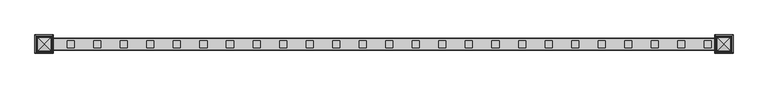
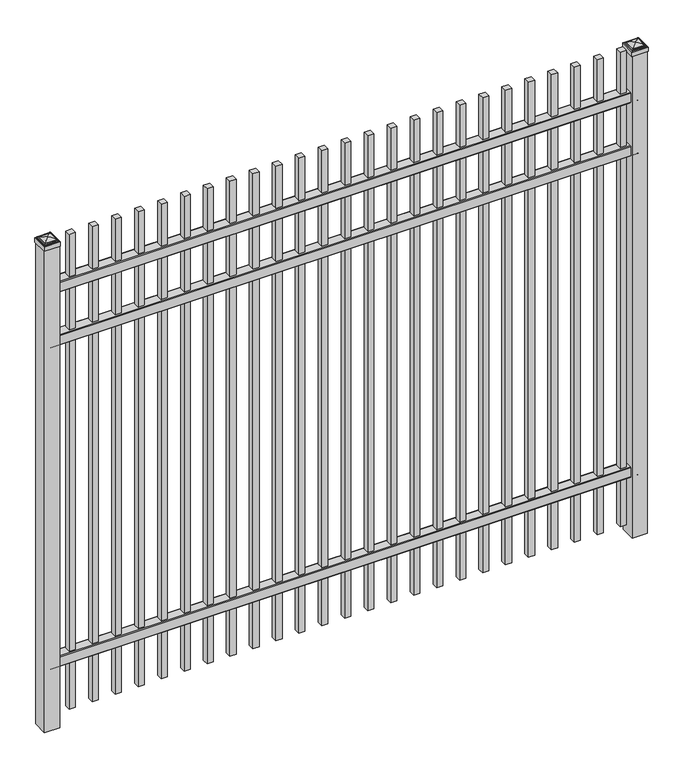
"""IFC4 building model written with IfcOpenShell, lengths in millimetres: railing geometry."""

import ifcopenshell
import ifcopenshell.guid

model = None  # the IFC model being written
_history = None  # IfcOwnerHistory: only IFC2X3 demands one
_inside = {}  # id of a spatial element -> (the spatial element, [elements in it])
_under = {}  # id of a project, library or spatial element -> (it, [spatial elements below it])
_declared = {}  # id of a project -> (the project, [libraries it declares])
_typed = {}  # id of a type object -> (the type object, [elements of that type])
_made_of = {}  # id of a material, layer set ... -> (it, [elements and type objects made of it])


def new_model(schema):
    """Start an empty IFC model of exactly this schema.

    Asked for "IFC4X3", IfcOpenShell would pick the latest addendum, in which some entities
    have other attributes; the version numbers below select the first issue.
    IFC2X3 requires an IfcOwnerHistory on every rooted entity: one is made here for all.
    """
    global model, _history
    if schema == "IFC4X3":
        model = ifcopenshell.file(schema_version=(4, 3, 0, 0))
    else:
        model = ifcopenshell.file(schema=schema)
    _inside.clear()
    _under.clear()
    _declared.clear()
    _typed.clear()
    _made_of.clear()
    _history = None
    if model.schema == "IFC2X3":
        org = make("IfcOrganization", Name="unknown")
        user = make(
            "IfcPersonAndOrganization",
            ThePerson=make("IfcPerson", FamilyName="unknown"),
            TheOrganization=org,
        )
        app = make(
            "IfcApplication",
            ApplicationDeveloper=org,
            Version="unknown",
            ApplicationFullName="unknown",
            ApplicationIdentifier="unknown",
        )
        _history = make(
            "IfcOwnerHistory",
            OwningUser=user,
            OwningApplication=app,
            ChangeAction="ADDED",
            CreationDate=0,
        )
    return model


def make(cls, **values):
    """One entity of the class cls with the attributes given. An attribute that is None is left unset."""
    return model.create_entity(
        cls, **{name: value for name, value in values.items() if value is not None}
    )


def rooted(cls, **values):
    """An entity with a GlobalId (a new one), such as an element, a storey or a relation."""
    return make(cls, GlobalId=ifcopenshell.guid.new(), OwnerHistory=_history, **values)


def si_unit(unit_type, name, prefix=None):
    """IfcSIUnit, for example si_unit("LENGTHUNIT", "METRE", prefix="MILLI")."""
    return make("IfcSIUnit", UnitType=unit_type, Prefix=prefix, Name=name)


def assignment(units):
    """IfcUnitAssignment: the units of a project."""
    return None if units is None else make("IfcUnitAssignment", Units=units)


def point(xyz):
    """IfcCartesianPoint."""
    return None if xyz is None else make("IfcCartesianPoint", Coordinates=xyz)


def direction(xyz):
    """IfcDirection."""
    return None if xyz is None else make("IfcDirection", DirectionRatios=xyz)


def frame(location, z_axis=None, x_axis=None):
    """IfcAxis2Placement3D, a coordinate frame: its origin and axes. An axis left out is left unset."""
    return make(
        "IfcAxis2Placement3D",
        Location=point(location),
        Axis=direction(z_axis),
        RefDirection=direction(x_axis),
    )


def frame_2d(location, x_axis=None):
    """IfcAxis2Placement2D, a coordinate frame in the plane: its origin and x axis."""
    return make(
        "IfcAxis2Placement2D", Location=point(location), RefDirection=direction(x_axis)
    )


def origin():
    """The frame at (0, 0, 0) with its axes left unset."""
    return frame((0.0, 0.0, 0.0))


def origin_with_axes():
    """The frame at (0, 0, 0) with the z axis (0, 0, 1) and the x axis (1, 0, 0) written out."""
    return frame((0.0, 0.0, 0.0), z_axis=(0.0, 0.0, 1.0), x_axis=(1.0, 0.0, 0.0))


def place(relative_to, where):
    """IfcLocalPlacement: puts the frame where relative to a parent placement (None: the world)."""
    return make(
        "IfcLocalPlacement", PlacementRelTo=relative_to, RelativePlacement=where
    )


def context(
    kind, dimensions, precision=None, world=None, true_north=None, identifier=None
):
    """IfcGeometricRepresentationContext, for example the 3D "Model" context."""
    return make(
        "IfcGeometricRepresentationContext",
        ContextIdentifier=identifier,
        ContextType=kind,
        CoordinateSpaceDimension=dimensions,
        Precision=precision,
        WorldCoordinateSystem=world,
        TrueNorth=true_north,
    )


def project(units=None, contexts=None):
    """IfcProject with its units and contexts."""
    return rooted(
        "IfcProject",
        Name="project",
        RepresentationContexts=contexts,
        UnitsInContext=assignment(units),
    )


def spatial(cls, under=None, at=None, **own):
    """A site, building, storey or space (cls), placed at a placement, below another one or the project."""
    s = rooted(cls, ObjectPlacement=at, **own)
    if under is not None:
        _under.setdefault(under.id(), (under, []))[1].append(s)
    return s


def polyline(points):
    """IfcPolyline through the points."""
    return make("IfcPolyline", Points=[point(p) for p in points])


def circle_curve(where, radius):
    """IfcCircle in the frame where."""
    return make("IfcCircle", Position=where, Radius=radius)


def ellipse_curve(where, semi_axis1, semi_axis2):
    """IfcEllipse in the frame where."""
    return make(
        "IfcEllipse", Position=where, SemiAxis1=semi_axis1, SemiAxis2=semi_axis2
    )


def trimmed(basis, trim1, trim2, sense, master):
    """IfcTrimmedCurve: the piece of a basis curve between two trims."""
    return make(
        "IfcTrimmedCurve",
        BasisCurve=basis,
        Trim1=trim1,
        Trim2=trim2,
        SenseAgreement=sense,
        MasterRepresentation=master,
    )


def segment(curve, same_sense, transition):
    """IfcCompositeCurveSegment."""
    return make(
        "IfcCompositeCurveSegment",
        Transition=transition,
        SameSense=same_sense,
        ParentCurve=curve,
    )


def composite_curve(segments, self_intersect=None):
    """IfcCompositeCurve: segments joined end to end."""
    return make("IfcCompositeCurve", Segments=segments, SelfIntersect=self_intersect)


def outline(outer, holes=None, kind="AREA"):
    """IfcArbitraryClosedProfileDef: a profile drawn as a closed curve; with holes, ...WithVoids."""
    if holes is None:
        return make("IfcArbitraryClosedProfileDef", ProfileType=kind, OuterCurve=outer)
    return make(
        "IfcArbitraryProfileDefWithVoids",
        ProfileType=kind,
        OuterCurve=outer,
        InnerCurves=holes,
    )


def extrude(swept, where, along, depth):
    """IfcExtrudedAreaSolid: the profile swept, set in the frame where, extruded along a direction by depth."""
    return make(
        "IfcExtrudedAreaSolid",
        SweptArea=swept,
        Position=where,
        ExtrudedDirection=direction(along),
        Depth=depth,
    )


def shape(context_of_items, identifier, shape_type, items):
    """IfcShapeRepresentation: the items that make up one representation, for example the "Body"."""
    return make(
        "IfcShapeRepresentation",
        ContextOfItems=context_of_items,
        RepresentationIdentifier=identifier,
        RepresentationType=shape_type,
        Items=items,
    )


def source(mapping_origin, context_of_items, identifier, shape_type, items):
    """IfcRepresentationMap: a shape defined once, which mapped items show again and again."""
    return make(
        "IfcRepresentationMap",
        MappingOrigin=mapping_origin,
        MappedRepresentation=shape(context_of_items, identifier, shape_type, items),
    )


def transform(
    local_origin,
    x_axis=None,
    y_axis=None,
    z_axis=None,
    scale=None,
    scale2=None,
    scale3=None,
    uniform=True,
):
    """IfcCartesianTransformationOperator3D, or its non-uniform kind. x_axis, y_axis, z_axis: its Axis1, 2, 3."""
    if uniform:
        return make(
            "IfcCartesianTransformationOperator3D",
            Axis1=direction(x_axis),
            Axis2=direction(y_axis),
            LocalOrigin=point(local_origin),
            Scale=scale,
            Axis3=direction(z_axis),
        )
    return make(
        "IfcCartesianTransformationOperator3DnonUniform",
        Axis1=direction(x_axis),
        Axis2=direction(y_axis),
        LocalOrigin=point(local_origin),
        Scale=scale,
        Axis3=direction(z_axis),
        Scale2=scale2,
        Scale3=scale3,
    )


def mapped(mapping_source, mapping_target):
    """IfcMappedItem: shows the shape of a source again, moved by a transform."""
    return make(
        "IfcMappedItem", MappingSource=mapping_source, MappingTarget=mapping_target
    )


def made_of(thing, what):
    """Note that an element or type object is made of a material, layer set ...; save() writes the relation."""
    if what is not None:
        _made_of.setdefault(what.id(), (what, []))[1].append(thing)
    return thing


def element(
    cls,
    number,
    at=None,
    inside=None,
    cuts=None,
    type_object=None,
    material=None,
    context=None,
    identifier="Body",
    shape_type=None,
    held_by="IfcProductDefinitionShape",
    body=None,
    shapes=None,
    **own,
):
    """One element of the class cls, such as IfcWall. Its Tag is "e" and its number.

    at: its placement. inside: the storey or other place that contains it. cuts: it is an
    opening in that element (IfcRelVoidsElement). A single representation is given by context,
    identifier, shape_type and body (its items); several are given by shapes. held_by: the class
    of the entity that holds the representations. save() writes the other relations.
    """
    e = rooted(cls, Tag="e%d" % number, ObjectPlacement=at, **own)
    if body is not None:
        shapes = [shape(context, identifier, shape_type, body)]
    if shapes is not None:
        e.Representation = make(held_by, Representations=shapes)
    if inside is not None:
        _inside.setdefault(inside.id(), (inside, []))[1].append(e)
    if cuts is not None:
        rooted(
            "IfcRelVoidsElement", RelatingBuildingElement=cuts, RelatedOpeningElement=e
        )
    if type_object is not None:
        _typed.setdefault(type_object.id(), (type_object, []))[1].append(e)
    return made_of(e, material)


def aggregate(whole, parts):
    """IfcRelAggregates: a whole, such as a stair, and the parts it consists of."""
    return rooted("IfcRelAggregates", RelatingObject=whole, RelatedObjects=parts)


def save(model, path):
    """Write the relations noted so far, then the file.

    IfcRelAggregates (storeys below a building ...), IfcRelContainedInSpatialStructure (elements
    in a storey), IfcRelDefinesByType, IfcRelAssociatesMaterial and IfcRelDeclares: one each for
    every whole, place, type object, material and project.
    """
    for whole, parts in _under.values():
        aggregate(whole, parts)
    for where, things in _inside.values():
        rooted(
            "IfcRelContainedInSpatialStructure",
            RelatedElements=things,
            RelatingStructure=where,
        )
    for kind, things in _typed.values():
        rooted("IfcRelDefinesByType", RelatedObjects=things, RelatingType=kind)
    for what, things in _made_of.values():
        rooted("IfcRelAssociatesMaterial", RelatedObjects=things, RelatingMaterial=what)
    for by, libraries in _declared.values():
        rooted("IfcRelDeclares", RelatingContext=by, RelatedDefinitions=libraries)
    model.write(path)


def plane_surface(at):
    """IfcPlane: the flat surface through the origin of the frame at, square to its z axis."""
    return make("IfcPlane", Position=at)


def cylinder_surface(at, radius):
    """IfcCylindricalSurface: all points at the distance radius from the z axis of the frame at."""
    return make("IfcCylindricalSurface", Position=at, Radius=radius)


def advanced_brep(points, edges, surfaces, faces):
    """IfcAdvancedBrep: a solid bounded by faces that lie on surfaces and meet in shared edges.

    An edge is (start, end): straight between two places in points (the first is 0);
    or (start, end, curve); or (start, end, curve, False) where it runs against its curve.
    A face is (place in surfaces, loops), or (place, loops, False) where it looks against
    its surface's normal. A loop lists edges by number (the first is 1), with a minus sign
    where the edge is run from its end to its start. The first loop is the outer one.
    """
    corners = [point(p) for p in points]
    vertices = [make("IfcVertexPoint", VertexGeometry=c) for c in corners]
    made = []
    for start, end, *more in edges:
        made.append(
            make(
                "IfcEdgeCurve",
                EdgeStart=vertices[start],
                EdgeEnd=vertices[end],
                EdgeGeometry=more[0] if more else make("IfcPolyline", Points=[corners[start], corners[end]]),
                SameSense=more[1] if len(more) > 1 else True,
            )
        )
    hull = []
    for where, loops, *sense in faces:
        bounds = []
        for j, loop in enumerate(loops):
            ring = [make("IfcOrientedEdge", EdgeElement=made[abs(k) - 1], Orientation=k > 0) for k in loop]
            bounds.append(
                make(
                    "IfcFaceOuterBound" if j == 0 else "IfcFaceBound",
                    Bound=make("IfcEdgeLoop", EdgeList=ring),
                    Orientation=True,
                )
            )
        hull.append(make("IfcAdvancedFace", Bounds=bounds, FaceSurface=surfaces[where], SameSense=sense[0] if sense else True))
    return make("IfcAdvancedBrep", Outer=make("IfcClosedShell", CfsFaces=hull))


def railing_5b05f8a3(model_context):
    return source(origin(), model_context, "Body", "SolidModel", [
        extrude(outline(composite_curve([segment(polyline([(8825.9139761, 304.8), (8863.969541, 304.8)]), True, "CONTINUOUS"), segment(trimmed(circle_curve(frame_2d((8863.969541, 301.625)), 3.175), [point((8863.969541, 304.8))], [point((8867.144541, 301.625))], False, "CARTESIAN"), True, "CONTINUOUS"), segment(polyline([(8867.144541, 301.625), (8867.144541, 262.1439893)]), True, "CONTINUOUS"), segment(trimmed(circle_curve(frame_2d((8865.3505518, 262.1439893)), 1.7939893), [point((8867.144541, 262.1439893))], [point((8865.3505518, 260.35))], False, "CARTESIAN"), True, "CONTINUOUS"), segment(polyline([(8865.3505518, 260.35), (8862.7590713, 260.35)]), True, "CONTINUOUS"), segment(trimmed(circle_curve(frame_2d((8862.7590713, 262.1359375)), 1.7859375), [point((8862.7590713, 260.35))], [point((8860.9755813, 262.0424688))], False, "CARTESIAN"), True, "CONTINUOUS"), segment(polyline([(8860.9755813, 262.0424688), (8859.4025867, 292.0569942), (8830.4364954, 292.0569942), (8828.8635007, 262.0424688)]), True, "CONTINUOUS"), segment(trimmed(circle_curve(frame_2d((8827.0800108, 262.1359375)), 1.7859375), [point((8828.8635007, 262.0424688))], [point((8827.0800108, 260.35))], False, "CARTESIAN"), True, "CONTINUOUS"), segment(polyline([(8827.0800108, 260.35), (8824.4804785, 260.35)]), True, "CONTINUOUS"), segment(trimmed(circle_curve(frame_2d((8824.4804785, 262.1359375)), 1.7859375), [point((8824.4804785, 260.35))], [point((8822.694541, 262.1359375))], False, "CARTESIAN"), True, "CONTINUOUS"), segment(polyline([(8822.694541, 262.1359375), (8822.694541, 301.5805649)]), True, "CONTINUOUS"), segment(trimmed(circle_curve(frame_2d((8825.9139761, 301.5805649)), 3.2194351), [point((8822.694541, 301.5805649))], [point((8825.9139761, 304.8))], False, "CARTESIAN"), True, "CONTINUOUS")], self_intersect=False)), frame((6913.3350064, 0.0, 0.0), z_axis=(1.0, 0.0, 0.0), x_axis=(0.0, 1.0, 0.0)), (0.0, 0.0, 1.0), 2438.4),
        extrude(outline(composite_curve([segment(polyline([(8825.9139761, 1714.5), (8863.969541, 1714.5)]), True, "CONTINUOUS"), segment(trimmed(circle_curve(frame_2d((8863.969541, 1711.325)), 3.175), [point((8863.969541, 1714.5))], [point((8867.144541, 1711.325))], False, "CARTESIAN"), True, "CONTINUOUS"), segment(polyline([(8867.144541, 1711.325), (8867.144541, 1671.8439893)]), True, "CONTINUOUS"), segment(trimmed(circle_curve(frame_2d((8865.3505518, 1671.8439893)), 1.7939893), [point((8867.144541, 1671.8439893))], [point((8865.3505518, 1670.05))], False, "CARTESIAN"), True, "CONTINUOUS"), segment(polyline([(8865.3505518, 1670.05), (8862.7590713, 1670.05)]), True, "CONTINUOUS"), segment(trimmed(circle_curve(frame_2d((8862.7590713, 1671.8359375)), 1.7859375), [point((8862.7590713, 1670.05))], [point((8860.9755813, 1671.7424688))], False, "CARTESIAN"), True, "CONTINUOUS"), segment(polyline([(8860.9755813, 1671.7424688), (8859.4025867, 1701.7569942), (8830.4364954, 1701.7569942), (8828.8635007, 1671.7424688)]), True, "CONTINUOUS"), segment(trimmed(circle_curve(frame_2d((8827.0800108, 1671.8359375)), 1.7859375), [point((8828.8635007, 1671.7424688))], [point((8827.0800108, 1670.05))], False, "CARTESIAN"), True, "CONTINUOUS"), segment(polyline([(8827.0800108, 1670.05), (8824.4804785, 1670.05)]), True, "CONTINUOUS"), segment(trimmed(circle_curve(frame_2d((8824.4804785, 1671.8359375)), 1.7859375), [point((8824.4804785, 1670.05))], [point((8822.694541, 1671.8359375))], False, "CARTESIAN"), True, "CONTINUOUS"), segment(polyline([(8822.694541, 1671.8359375), (8822.694541, 1711.2805649)]), True, "CONTINUOUS"), segment(trimmed(circle_curve(frame_2d((8825.9139761, 1711.2805649)), 3.2194351), [point((8822.694541, 1711.2805649))], [point((8825.9139761, 1714.5))], False, "CARTESIAN"), True, "CONTINUOUS")], self_intersect=False)), frame((6913.3350064, 0.0, 0.0), z_axis=(1.0, 0.0, 0.0), x_axis=(0.0, 1.0, 0.0)), (0.0, 0.0, 1.0), 2438.4),
        extrude(outline(composite_curve([segment(polyline([(8825.9139761, 1947.8625), (8863.969541, 1947.8625)]), True, "CONTINUOUS"), segment(trimmed(circle_curve(frame_2d((8863.969541, 1944.6875)), 3.175), [point((8863.969541, 1947.8625))], [point((8867.144541, 1944.6875))], False, "CARTESIAN"), True, "CONTINUOUS"), segment(polyline([(8867.144541, 1944.6875), (8867.144541, 1905.2064893)]), True, "CONTINUOUS"), segment(trimmed(circle_curve(frame_2d((8865.3505518, 1905.2064893)), 1.7939893), [point((8867.144541, 1905.2064893))], [point((8865.3505518, 1903.4125))], False, "CARTESIAN"), True, "CONTINUOUS"), segment(polyline([(8865.3505518, 1903.4125), (8862.7590713, 1903.4125)]), True, "CONTINUOUS"), segment(trimmed(circle_curve(frame_2d((8862.7590713, 1905.1984375)), 1.7859375), [point((8862.7590713, 1903.4125))], [point((8860.9755813, 1905.1049688))], False, "CARTESIAN"), True, "CONTINUOUS"), segment(polyline([(8860.9755813, 1905.1049688), (8859.4025867, 1935.1194942), (8830.4364954, 1935.1194942), (8828.8635007, 1905.1049688)]), True, "CONTINUOUS"), segment(trimmed(circle_curve(frame_2d((8827.0800108, 1905.1984375)), 1.7859375), [point((8828.8635007, 1905.1049688))], [point((8827.0800108, 1903.4125))], False, "CARTESIAN"), True, "CONTINUOUS"), segment(polyline([(8827.0800108, 1903.4125), (8824.4804785, 1903.4125)]), True, "CONTINUOUS"), segment(trimmed(circle_curve(frame_2d((8824.4804785, 1905.1984375)), 1.7859375), [point((8824.4804785, 1903.4125))], [point((8822.694541, 1905.1984375))], False, "CARTESIAN"), True, "CONTINUOUS"), segment(polyline([(8822.694541, 1905.1984375), (8822.694541, 1944.6430649)]), True, "CONTINUOUS"), segment(trimmed(circle_curve(frame_2d((8825.9139761, 1944.6430649)), 3.2194351), [point((8822.694541, 1944.6430649))], [point((8825.9139761, 1947.8625))], False, "CARTESIAN"), True, "CONTINUOUS")], self_intersect=False)), frame((6913.3350064, 0.0, 0.0), z_axis=(1.0, 0.0, 0.0), x_axis=(0.0, 1.0, 0.0)), (0.0, 0.0, 1.0), 2438.4),
        extrude(outline(polyline([(9281.8850064, 8857.619541), (9307.2850064, 8857.619541), (9307.2850064, 8832.219541), (9281.8850064, 8832.219541), (9281.8850064, 8857.619541)])), frame((0.0, 0.0, 50.8), z_axis=(0.0, 0.0, 1.0), x_axis=(1.0, 0.0, 0.0)), (0.0, 0.0, 1.0), 2082.8),
        extrude(outline(polyline([(9186.6350064, 8857.619541), (9212.0350064, 8857.619541), (9212.0350064, 8832.219541), (9186.6350064, 8832.219541), (9186.6350064, 8857.619541)])), frame((0.0, 0.0, 50.8), z_axis=(0.0, 0.0, 1.0), x_axis=(1.0, 0.0, 0.0)), (0.0, 0.0, 1.0), 2082.8),
        extrude(outline(polyline([(9091.3850064, 8857.619541), (9116.7850064, 8857.619541), (9116.7850064, 8832.219541), (9091.3850064, 8832.219541), (9091.3850064, 8857.619541)])), frame((0.0, 0.0, 50.8), z_axis=(0.0, 0.0, 1.0), x_axis=(1.0, 0.0, 0.0)), (0.0, 0.0, 1.0), 2082.8),
        extrude(outline(polyline([(8996.1350064, 8857.619541), (9021.5350064, 8857.619541), (9021.5350064, 8832.219541), (8996.1350064, 8832.219541), (8996.1350064, 8857.619541)])), frame((0.0, 0.0, 50.8), z_axis=(0.0, 0.0, 1.0), x_axis=(1.0, 0.0, 0.0)), (0.0, 0.0, 1.0), 2082.8),
        extrude(outline(polyline([(8900.8850064, 8857.619541), (8926.2850064, 8857.619541), (8926.2850064, 8832.219541), (8900.8850064, 8832.219541), (8900.8850064, 8857.619541)])), frame((0.0, 0.0, 50.8), z_axis=(0.0, 0.0, 1.0), x_axis=(1.0, 0.0, 0.0)), (0.0, 0.0, 1.0), 2082.8),
        extrude(outline(polyline([(8805.6350064, 8857.619541), (8831.0350064, 8857.619541), (8831.0350064, 8832.219541), (8805.6350064, 8832.219541), (8805.6350064, 8857.619541)])), frame((0.0, 0.0, 50.8), z_axis=(0.0, 0.0, 1.0), x_axis=(1.0, 0.0, 0.0)), (0.0, 0.0, 1.0), 2082.8),
        extrude(outline(polyline([(8710.3850064, 8857.619541), (8735.7850064, 8857.619541), (8735.7850064, 8832.219541), (8710.3850064, 8832.219541), (8710.3850064, 8857.619541)])), frame((0.0, 0.0, 50.8), z_axis=(0.0, 0.0, 1.0), x_axis=(1.0, 0.0, 0.0)), (0.0, 0.0, 1.0), 2082.8),
        extrude(outline(polyline([(8615.1350064, 8857.619541), (8640.5350064, 8857.619541), (8640.5350064, 8832.219541), (8615.1350064, 8832.219541), (8615.1350064, 8857.619541)])), frame((0.0, 0.0, 50.8), z_axis=(0.0, 0.0, 1.0), x_axis=(1.0, 0.0, 0.0)), (0.0, 0.0, 1.0), 2082.8),
        extrude(outline(polyline([(8519.8850064, 8857.619541), (8545.2850064, 8857.619541), (8545.2850064, 8832.219541), (8519.8850064, 8832.219541), (8519.8850064, 8857.619541)])), frame((0.0, 0.0, 50.8), z_axis=(0.0, 0.0, 1.0), x_axis=(1.0, 0.0, 0.0)), (0.0, 0.0, 1.0), 2082.8),
        extrude(outline(polyline([(8424.6350064, 8857.619541), (8450.0350064, 8857.619541), (8450.0350064, 8832.219541), (8424.6350064, 8832.219541), (8424.6350064, 8857.619541)])), frame((0.0, 0.0, 50.8), z_axis=(0.0, 0.0, 1.0), x_axis=(1.0, 0.0, 0.0)), (0.0, 0.0, 1.0), 2082.8),
        extrude(outline(polyline([(8329.3850064, 8857.619541), (8354.7850064, 8857.619541), (8354.7850064, 8832.219541), (8329.3850064, 8832.219541), (8329.3850064, 8857.619541)])), frame((0.0, 0.0, 50.8), z_axis=(0.0, 0.0, 1.0), x_axis=(1.0, 0.0, 0.0)), (0.0, 0.0, 1.0), 2082.8),
        extrude(outline(polyline([(8234.1350064, 8857.619541), (8259.5350064, 8857.619541), (8259.5350064, 8832.219541), (8234.1350064, 8832.219541), (8234.1350064, 8857.619541)])), frame((0.0, 0.0, 50.8), z_axis=(0.0, 0.0, 1.0), x_axis=(1.0, 0.0, 0.0)), (0.0, 0.0, 1.0), 2082.8),
        extrude(outline(polyline([(8138.8850064, 8857.619541), (8164.2850064, 8857.619541), (8164.2850064, 8832.219541), (8138.8850064, 8832.219541), (8138.8850064, 8857.619541)])), frame((0.0, 0.0, 50.8), z_axis=(0.0, 0.0, 1.0), x_axis=(1.0, 0.0, 0.0)), (0.0, 0.0, 1.0), 2082.8),
        extrude(outline(polyline([(8043.6350064, 8857.619541), (8069.0350064, 8857.619541), (8069.0350064, 8832.219541), (8043.6350064, 8832.219541), (8043.6350064, 8857.619541)])), frame((0.0, 0.0, 50.8), z_axis=(0.0, 0.0, 1.0), x_axis=(1.0, 0.0, 0.0)), (0.0, 0.0, 1.0), 2082.8),
        extrude(outline(polyline([(7948.3850064, 8857.619541), (7973.7850064, 8857.619541), (7973.7850064, 8832.219541), (7948.3850064, 8832.219541), (7948.3850064, 8857.619541)])), frame((0.0, 0.0, 50.8), z_axis=(0.0, 0.0, 1.0), x_axis=(1.0, 0.0, 0.0)), (0.0, 0.0, 1.0), 2082.8),
        extrude(outline(polyline([(7853.1350064, 8857.619541), (7878.5350064, 8857.619541), (7878.5350064, 8832.219541), (7853.1350064, 8832.219541), (7853.1350064, 8857.619541)])), frame((0.0, 0.0, 50.8), z_axis=(0.0, 0.0, 1.0), x_axis=(1.0, 0.0, 0.0)), (0.0, 0.0, 1.0), 2082.8),
        extrude(outline(polyline([(7757.8850064, 8857.619541), (7783.2850064, 8857.619541), (7783.2850064, 8832.219541), (7757.8850064, 8832.219541), (7757.8850064, 8857.619541)])), frame((0.0, 0.0, 50.8), z_axis=(0.0, 0.0, 1.0), x_axis=(1.0, 0.0, 0.0)), (0.0, 0.0, 1.0), 2082.8),
        extrude(outline(polyline([(7662.6350064, 8857.619541), (7688.0350064, 8857.619541), (7688.0350064, 8832.219541), (7662.6350064, 8832.219541), (7662.6350064, 8857.619541)])), frame((0.0, 0.0, 50.8), z_axis=(0.0, 0.0, 1.0), x_axis=(1.0, 0.0, 0.0)), (0.0, 0.0, 1.0), 2082.8),
        extrude(outline(polyline([(7567.3850064, 8857.619541), (7592.7850064, 8857.619541), (7592.7850064, 8832.219541), (7567.3850064, 8832.219541), (7567.3850064, 8857.619541)])), frame((0.0, 0.0, 50.8), z_axis=(0.0, 0.0, 1.0), x_axis=(1.0, 0.0, 0.0)), (0.0, 0.0, 1.0), 2082.8),
        extrude(outline(polyline([(7472.1350064, 8857.619541), (7497.5350064, 8857.619541), (7497.5350064, 8832.219541), (7472.1350064, 8832.219541), (7472.1350064, 8857.619541)])), frame((0.0, 0.0, 50.8), z_axis=(0.0, 0.0, 1.0), x_axis=(1.0, 0.0, 0.0)), (0.0, 0.0, 1.0), 2082.8),
        extrude(outline(polyline([(7376.8850064, 8857.619541), (7402.2850064, 8857.619541), (7402.2850064, 8832.219541), (7376.8850064, 8832.219541), (7376.8850064, 8857.619541)])), frame((0.0, 0.0, 50.8), z_axis=(0.0, 0.0, 1.0), x_axis=(1.0, 0.0, 0.0)), (0.0, 0.0, 1.0), 2082.8),
        extrude(outline(polyline([(7281.6350064, 8857.619541), (7307.0350064, 8857.619541), (7307.0350064, 8832.219541), (7281.6350064, 8832.219541), (7281.6350064, 8857.619541)])), frame((0.0, 0.0, 50.8), z_axis=(0.0, 0.0, 1.0), x_axis=(1.0, 0.0, 0.0)), (0.0, 0.0, 1.0), 2082.8),
        extrude(outline(polyline([(7186.3850064, 8857.619541), (7211.7850064, 8857.619541), (7211.7850064, 8832.219541), (7186.3850064, 8832.219541), (7186.3850064, 8857.619541)])), frame((0.0, 0.0, 50.8), z_axis=(0.0, 0.0, 1.0), x_axis=(1.0, 0.0, 0.0)), (0.0, 0.0, 1.0), 2082.8),
        extrude(outline(polyline([(7091.1350064, 8857.619541), (7116.5350064, 8857.619541), (7116.5350064, 8832.219541), (7091.1350064, 8832.219541), (7091.1350064, 8857.619541)])), frame((0.0, 0.0, 50.8), z_axis=(0.0, 0.0, 1.0), x_axis=(1.0, 0.0, 0.0)), (0.0, 0.0, 1.0), 2082.8),
        extrude(outline(polyline([(6995.8850064, 8857.619541), (7021.2850064, 8857.619541), (7021.2850064, 8832.219541), (6995.8850064, 8832.219541), (6995.8850064, 8857.619541)])), frame((0.0, 0.0, 50.8), z_axis=(0.0, 0.0, 1.0), x_axis=(1.0, 0.0, 0.0)), (0.0, 0.0, 1.0), 2082.8),
        extrude(outline(polyline([(9383.4850064, 8876.669541), (9383.4850064, 8813.169541), (9319.9850064, 8813.169541), (9319.9850064, 8876.669541), (9383.4850064, 8876.669541)])), origin_with_axes(), (0.0, 0.0, 1.0), 2112.9625),
        advanced_brep(
        [(9318.3975064, 8878.257041, 2131.21875), (9318.3975064, 8878.257041, 2112.9625), (9318.3975064, 8811.582041, 2112.9625), (9318.3975064, 8811.582041, 2131.21875), (9320.7787564, 8875.875791, 2133.6), (9320.7787564, 8813.963291, 2133.6), (9323.1600064, 8873.494541, 2135.98125), (9323.1600064, 8873.494541, 2133.6), (9323.1600064, 8816.344541, 2133.6), (9323.1600064, 8816.344541, 2135.98125), (9325.5412564, 8871.113291, 2138.3625), (9325.5412564, 8818.725791, 2138.3625), (9351.7350064, 8844.919541, 2144.7125), (9327.9225064, 8868.732041, 2138.3625), (9327.9225064, 8821.107041, 2138.3625), (9385.0725064, 8811.582041, 2112.9625), (9385.0725064, 8811.582041, 2131.21875), (9382.6912564, 8813.963291, 2133.6), (9380.3100064, 8816.344541, 2133.6), (9380.3100064, 8816.344541, 2135.98125), (9377.9287564, 8818.725791, 2138.3625), (9375.5475064, 8821.107041, 2138.3625), (9385.0725064, 8878.257041, 2112.9625), (9385.0725064, 8878.257041, 2131.21875), (9382.6912564, 8875.875791, 2133.6), (9380.3100064, 8873.494541, 2133.6), (9380.3100064, 8873.494541, 2135.98125), (9377.9287564, 8871.113291, 2138.3625), (9375.5475064, 8868.732041, 2138.3625)],
        [
            (0, 1),
            (1, 2),
            (2, 3),
            (3, 0),
            (4, 0, ellipse_curve(frame((9320.7787564, 8875.875791, 2131.21875), z_axis=(-0.70710678118655, -0.7071067811865449, 0.0), x_axis=(-0.7071067811865448, 0.7071067811865501, 0.0)), 3.367596, 2.38125)),
            (3, 5, ellipse_curve(frame((9320.7787564, 8813.963291, 2131.21875), z_axis=(-0.7071067811865449, 0.70710678118655, 0.0), x_axis=(0.7071067811865499, 0.707106781186545, 0.0)), 3.367596, 2.38125)),
            (5, 4),
            (6, 7),
            (7, 8),
            (8, 9),
            (9, 6),
            (10, 6, ellipse_curve(frame((9325.5412564, 8871.113291, 2135.98125), z_axis=(-0.70710678118655, -0.7071067811865449, 0.0), x_axis=(-0.7071067811865448, 0.7071067811865501, 0.0)), 3.367596, 2.38125)),
            (9, 11, ellipse_curve(frame((9325.5412564, 8818.725791, 2135.98125), z_axis=(-0.7071067811865449, 0.70710678118655, 0.0), x_axis=(0.7071067811865499, 0.707106781186545, 0.0)), 3.367596, 2.38125)),
            (11, 10),
            (12, 13, ellipse_curve(frame((9351.7350064, 8844.919541, 2096.8890625), z_axis=(-0.70710678118655, -0.7071067811865449, 0.0), x_axis=(-0.7071067811865448, 0.7071067811865501, 0.0)), 67.6325539, 47.8234375)),
            (13, 14),
            (14, 12, ellipse_curve(frame((9351.7350064, 8844.919541, 2096.8890625), z_axis=(-0.7071067811865449, 0.70710678118655, 0.0), x_axis=(0.7071067811865499, 0.707106781186545, 0.0)), 67.6325539, 47.8234375)),
            (2, 15),
            (15, 16),
            (16, 3),
            (16, 17, ellipse_curve(frame((9382.6912564, 8813.963291, 2131.21875), z_axis=(-0.70710678118655, -0.707106781186545, 0.0), x_axis=(-0.707106781186545, 0.70710678118655, 0.0)), 3.367596, 2.38125)),
            (17, 5),
            (8, 18),
            (18, 19),
            (19, 9),
            (19, 20, ellipse_curve(frame((9377.9287564, 8818.725791, 2135.98125), z_axis=(-0.70710678118655, -0.707106781186545, 0.0), x_axis=(-0.707106781186545, 0.70710678118655, 0.0)), 3.367596, 2.38125)),
            (20, 11),
            (14, 21),
            (21, 12, ellipse_curve(frame((9351.7350064, 8844.919541, 2096.8890625), z_axis=(-0.70710678118655, -0.707106781186545, 0.0), x_axis=(-0.707106781186545, 0.70710678118655, 0.0)), 67.6325539, 47.8234375)),
            (15, 22),
            (22, 23),
            (23, 16),
            (23, 24, ellipse_curve(frame((9382.6912564, 8875.875791, 2131.21875), z_axis=(0.707106781186545, -0.7071067811865499, 0.0), x_axis=(-0.7071067811865497, -0.7071067811865452, 0.0)), 3.367596, 2.38125)),
            (24, 17),
            (18, 25),
            (25, 26),
            (26, 19),
            (26, 27, ellipse_curve(frame((9377.9287564, 8871.113291, 2135.98125), z_axis=(0.707106781186545, -0.7071067811865499, 0.0), x_axis=(-0.7071067811865497, -0.7071067811865452, 0.0)), 3.367596, 2.38125)),
            (27, 20),
            (21, 28),
            (28, 12, ellipse_curve(frame((9351.7350064, 8844.919541, 2096.8890625), z_axis=(0.707106781186545, -0.7071067811865499, 0.0), x_axis=(-0.7071067811865497, -0.7071067811865452, 0.0)), 67.6325539, 47.8234375)),
            (22, 1),
            (0, 23),
            (4, 24),
            (7, 25),
            (6, 26),
            (10, 27),
            (13, 28),
        ],
        [
            plane_surface(frame((9318.3975064, 8878.257041, 2112.9625), z_axis=(-1.0, 0.0, 0.0), x_axis=(0.0, -1.0, 0.0))),
            cylinder_surface(frame((9320.7787564, 8876.669541, 2131.21875), z_axis=(0.0, 1.0, 0.0), x_axis=(1.0, 0.0, 0.0)), 2.38125),
            plane_surface(frame((9323.1600064, 8873.494541, 2133.6), z_axis=(-1.0, 0.0, 0.0), x_axis=(0.0, -1.0, 0.0))),
            cylinder_surface(frame((9325.5412564, 8876.669541, 2135.98125), z_axis=(0.0, 1.0, 0.0), x_axis=(1.0, 0.0, 0.0)), 2.38125),
            cylinder_surface(frame((9351.7350064, 8876.669541, 2096.8890625), z_axis=(0.0, 1.0, 0.0), x_axis=(1.0, 0.0, 0.0)), 47.8234375),
            plane_surface(frame((9318.3975064, 8811.582041, 2112.9625), z_axis=(0.0, -1.0, 0.0), x_axis=(1.0, 0.0, 0.0))),
            cylinder_surface(frame((9319.9850064, 8813.963291, 2131.21875), z_axis=(-1.0, 0.0, 0.0), x_axis=(0.0, 1.0, 0.0)), 2.38125),
            plane_surface(frame((9323.1600064, 8816.344541, 2133.6), z_axis=(0.0, -1.0, 0.0), x_axis=(1.0, 0.0, 0.0))),
            cylinder_surface(frame((9319.9850064, 8818.725791, 2135.98125), z_axis=(-1.0, 0.0, 0.0), x_axis=(0.0, 1.0, 0.0)), 2.38125),
            cylinder_surface(frame((9319.9850064, 8844.919541, 2096.8890625), z_axis=(-1.0, 0.0, 0.0), x_axis=(0.0, 1.0, 0.0)), 47.8234375),
            plane_surface(frame((9385.0725064, 8811.582041, 2112.9625), z_axis=(1.0, 0.0, 0.0), x_axis=(0.0, 1.0, 0.0))),
            cylinder_surface(frame((9382.6912564, 8813.169541, 2131.21875), z_axis=(0.0, -1.0, 0.0), x_axis=(-1.0, 0.0, 0.0)), 2.38125),
            plane_surface(frame((9380.3100064, 8816.344541, 2133.6), z_axis=(1.0, 0.0, 0.0), x_axis=(0.0, 1.0, 0.0))),
            cylinder_surface(frame((9377.9287564, 8813.169541, 2135.98125), z_axis=(0.0, -1.0, 0.0), x_axis=(-1.0, 0.0, 0.0)), 2.38125),
            cylinder_surface(frame((9351.7350064, 8813.169541, 2096.8890625), z_axis=(0.0, -1.0, 0.0), x_axis=(-1.0, 0.0, 0.0)), 47.8234375),
            plane_surface(frame((9385.0725064, 8878.257041, 2112.9625), z_axis=(0.0, 1.0, 0.0), x_axis=(-1.0, 0.0, 0.0))),
            cylinder_surface(frame((9383.4850064, 8875.875791, 2131.21875), z_axis=(1.0, 0.0, 0.0), x_axis=(0.0, -1.0, 0.0)), 2.38125),
            plane_surface(frame((9382.6912564, 8875.875791, 2133.6), z_axis=(0.0, 0.0, 1.0), x_axis=(-1.0, 0.0, 0.0))),
            plane_surface(frame((9380.3100064, 8873.494541, 2133.6), z_axis=(0.0, 1.0, 0.0), x_axis=(-1.0, 0.0, 0.0))),
            cylinder_surface(frame((9383.4850064, 8871.113291, 2135.98125), z_axis=(1.0, 0.0, 0.0), x_axis=(0.0, -1.0, 0.0)), 2.38125),
            plane_surface(frame((9377.9287564, 8871.113291, 2138.3625), z_axis=(0.0, 0.0, 1.0), x_axis=(-1.0, 0.0, 0.0))),
            cylinder_surface(frame((9383.4850064, 8844.919541, 2096.8890625), z_axis=(1.0, 0.0, 0.0), x_axis=(0.0, -1.0, 0.0)), 47.8234375),
            plane_surface(frame((9351.7350064, 8844.919541, 2112.9625), z_axis=(0.0, 0.0, -1.0), x_axis=(-1.0, 0.0, 0.0))),
        ],
        [
            (0, [[1, 2, 3, 4]]),
            (1, [[5, -4, 6, 7]]),
            (2, [[8, 9, 10, 11]]),
            (3, [[12, -11, 13, 14]]),
            (4, [[15, 16, 17]]),
            (5, [[-3, 18, 19, 20]]),
            (6, [[-6, -20, 21, 22]]),
            (7, [[-10, 23, 24, 25]]),
            (8, [[-13, -25, 26, 27]]),
            (9, [[-17, 28, 29]]),
            (10, [[-19, 30, 31, 32]]),
            (11, [[-21, -32, 33, 34]]),
            (12, [[-24, 35, 36, 37]]),
            (13, [[-26, -37, 38, 39]]),
            (14, [[-29, 40, 41]]),
            (15, [[-31, 42, -1, 43]]),
            (16, [[-33, -43, -5, 44]]),
            (17, [[-22, -34, -44, -7], [45, -35, -23, -9]]),
            (18, [[-36, -45, -8, 46]]),
            (19, [[-38, -46, -12, 47]]),
            (20, [[-27, -39, -47, -14], [48, -40, -28, -16]]),
            (21, [[-41, -48, -15]]),
            (22, [[-42, -30, -18, -2]]),
        ],
    ),
        extrude(outline(polyline([(6945.0850064, 8876.669541), (6945.0850064, 8813.169541), (6881.5850064, 8813.169541), (6881.5850064, 8876.669541), (6945.0850064, 8876.669541)])), origin_with_axes(), (0.0, 0.0, 1.0), 2112.9625),
        advanced_brep(
        [(6879.9975064, 8878.257041, 2131.21875), (6879.9975064, 8878.257041, 2112.9625), (6879.9975064, 8811.582041, 2112.9625), (6879.9975064, 8811.582041, 2131.21875), (6882.3787564, 8875.875791, 2133.6), (6882.3787564, 8813.963291, 2133.6), (6884.7600064, 8873.494541, 2135.98125), (6884.7600064, 8873.494541, 2133.6), (6884.7600064, 8816.344541, 2133.6), (6884.7600064, 8816.344541, 2135.98125), (6887.1412564, 8871.113291, 2138.3625), (6887.1412564, 8818.725791, 2138.3625), (6913.3350064, 8844.919541, 2144.7125), (6889.5225064, 8868.732041, 2138.3625), (6889.5225064, 8821.107041, 2138.3625), (6946.6725064, 8811.582041, 2112.9625), (6946.6725064, 8811.582041, 2131.21875), (6944.2912564, 8813.963291, 2133.6), (6941.9100064, 8816.344541, 2133.6), (6941.9100064, 8816.344541, 2135.98125), (6939.5287564, 8818.725791, 2138.3625), (6937.1475064, 8821.107041, 2138.3625), (6946.6725064, 8878.257041, 2112.9625), (6946.6725064, 8878.257041, 2131.21875), (6944.2912564, 8875.875791, 2133.6), (6941.9100064, 8873.494541, 2133.6), (6941.9100064, 8873.494541, 2135.98125), (6939.5287564, 8871.113291, 2138.3625), (6937.1475064, 8868.732041, 2138.3625)],
        [
            (0, 1),
            (1, 2),
            (2, 3),
            (3, 0),
            (4, 0, ellipse_curve(frame((6882.3787564, 8875.875791, 2131.21875), z_axis=(-0.70710678118655, -0.7071067811865449, 0.0), x_axis=(-0.7071067811865448, 0.7071067811865501, 0.0)), 3.367596, 2.38125)),
            (3, 5, ellipse_curve(frame((6882.3787564, 8813.963291, 2131.21875), z_axis=(-0.7071067811865449, 0.70710678118655, 0.0), x_axis=(0.7071067811865499, 0.707106781186545, 0.0)), 3.367596, 2.38125)),
            (5, 4),
            (6, 7),
            (7, 8),
            (8, 9),
            (9, 6),
            (10, 6, ellipse_curve(frame((6887.1412564, 8871.113291, 2135.98125), z_axis=(-0.70710678118655, -0.7071067811865449, 0.0), x_axis=(-0.7071067811865448, 0.7071067811865501, 0.0)), 3.367596, 2.38125)),
            (9, 11, ellipse_curve(frame((6887.1412564, 8818.725791, 2135.98125), z_axis=(-0.7071067811865449, 0.70710678118655, 0.0), x_axis=(0.7071067811865499, 0.707106781186545, 0.0)), 3.367596, 2.38125)),
            (11, 10),
            (12, 13, ellipse_curve(frame((6913.3350064, 8844.919541, 2096.8890625), z_axis=(-0.70710678118655, -0.7071067811865449, 0.0), x_axis=(-0.7071067811865448, 0.7071067811865501, 0.0)), 67.6325539, 47.8234375)),
            (13, 14),
            (14, 12, ellipse_curve(frame((6913.3350064, 8844.919541, 2096.8890625), z_axis=(-0.7071067811865449, 0.70710678118655, 0.0), x_axis=(0.7071067811865499, 0.707106781186545, 0.0)), 67.6325539, 47.8234375)),
            (2, 15),
            (15, 16),
            (16, 3),
            (16, 17, ellipse_curve(frame((6944.2912564, 8813.963291, 2131.21875), z_axis=(-0.70710678118655, -0.707106781186545, 0.0), x_axis=(-0.707106781186545, 0.70710678118655, 0.0)), 3.367596, 2.38125)),
            (17, 5),
            (8, 18),
            (18, 19),
            (19, 9),
            (19, 20, ellipse_curve(frame((6939.5287564, 8818.725791, 2135.98125), z_axis=(-0.70710678118655, -0.707106781186545, 0.0), x_axis=(-0.707106781186545, 0.70710678118655, 0.0)), 3.367596, 2.38125)),
            (20, 11),
            (14, 21),
            (21, 12, ellipse_curve(frame((6913.3350064, 8844.919541, 2096.8890625), z_axis=(-0.70710678118655, -0.707106781186545, 0.0), x_axis=(-0.707106781186545, 0.70710678118655, 0.0)), 67.6325539, 47.8234375)),
            (15, 22),
            (22, 23),
            (23, 16),
            (23, 24, ellipse_curve(frame((6944.2912564, 8875.875791, 2131.21875), z_axis=(0.707106781186545, -0.7071067811865499, 0.0), x_axis=(-0.7071067811865497, -0.7071067811865452, 0.0)), 3.367596, 2.38125)),
            (24, 17),
            (18, 25),
            (25, 26),
            (26, 19),
            (26, 27, ellipse_curve(frame((6939.5287564, 8871.113291, 2135.98125), z_axis=(0.707106781186545, -0.7071067811865499, 0.0), x_axis=(-0.7071067811865497, -0.7071067811865452, 0.0)), 3.367596, 2.38125)),
            (27, 20),
            (21, 28),
            (28, 12, ellipse_curve(frame((6913.3350064, 8844.919541, 2096.8890625), z_axis=(0.707106781186545, -0.7071067811865499, 0.0), x_axis=(-0.7071067811865497, -0.7071067811865452, 0.0)), 67.6325539, 47.8234375)),
            (22, 1),
            (0, 23),
            (4, 24),
            (7, 25),
            (6, 26),
            (10, 27),
            (13, 28),
        ],
        [
            plane_surface(frame((6879.9975064, 8878.257041, 2112.9625), z_axis=(-1.0, 0.0, 0.0), x_axis=(0.0, -1.0, 0.0))),
            cylinder_surface(frame((6882.3787564, 8876.669541, 2131.21875), z_axis=(0.0, 1.0, 0.0), x_axis=(1.0, 0.0, 0.0)), 2.38125),
            plane_surface(frame((6884.7600064, 8873.494541, 2133.6), z_axis=(-1.0, 0.0, 0.0), x_axis=(0.0, -1.0, 0.0))),
            cylinder_surface(frame((6887.1412564, 8876.669541, 2135.98125), z_axis=(0.0, 1.0, 0.0), x_axis=(1.0, 0.0, 0.0)), 2.38125),
            cylinder_surface(frame((6913.3350064, 8876.669541, 2096.8890625), z_axis=(0.0, 1.0, 0.0), x_axis=(1.0, 0.0, 0.0)), 47.8234375),
            plane_surface(frame((6879.9975064, 8811.582041, 2112.9625), z_axis=(0.0, -1.0, 0.0), x_axis=(1.0, 0.0, 0.0))),
            cylinder_surface(frame((6881.5850064, 8813.963291, 2131.21875), z_axis=(-1.0, 0.0, 0.0), x_axis=(0.0, 1.0, 0.0)), 2.38125),
            plane_surface(frame((6884.7600064, 8816.344541, 2133.6), z_axis=(0.0, -1.0, 0.0), x_axis=(1.0, 0.0, 0.0))),
            cylinder_surface(frame((6881.5850064, 8818.725791, 2135.98125), z_axis=(-1.0, 0.0, 0.0), x_axis=(0.0, 1.0, 0.0)), 2.38125),
            cylinder_surface(frame((6881.5850064, 8844.919541, 2096.8890625), z_axis=(-1.0, 0.0, 0.0), x_axis=(0.0, 1.0, 0.0)), 47.8234375),
            plane_surface(frame((6946.6725064, 8811.582041, 2112.9625), z_axis=(1.0, 0.0, 0.0), x_axis=(0.0, 1.0, 0.0))),
            cylinder_surface(frame((6944.2912564, 8813.169541, 2131.21875), z_axis=(0.0, -1.0, 0.0), x_axis=(-1.0, 0.0, 0.0)), 2.38125),
            plane_surface(frame((6941.9100064, 8816.344541, 2133.6), z_axis=(1.0, 0.0, 0.0), x_axis=(0.0, 1.0, 0.0))),
            cylinder_surface(frame((6939.5287564, 8813.169541, 2135.98125), z_axis=(0.0, -1.0, 0.0), x_axis=(-1.0, 0.0, 0.0)), 2.38125),
            cylinder_surface(frame((6913.3350064, 8813.169541, 2096.8890625), z_axis=(0.0, -1.0, 0.0), x_axis=(-1.0, 0.0, 0.0)), 47.8234375),
            plane_surface(frame((6946.6725064, 8878.257041, 2112.9625), z_axis=(0.0, 1.0, 0.0), x_axis=(-1.0, 0.0, 0.0))),
            cylinder_surface(frame((6945.0850064, 8875.875791, 2131.21875), z_axis=(1.0, 0.0, 0.0), x_axis=(0.0, -1.0, 0.0)), 2.38125),
            plane_surface(frame((6944.2912564, 8875.875791, 2133.6), z_axis=(0.0, 0.0, 1.0), x_axis=(-1.0, 0.0, 0.0))),
            plane_surface(frame((6941.9100064, 8873.494541, 2133.6), z_axis=(0.0, 1.0, 0.0), x_axis=(-1.0, 0.0, 0.0))),
            cylinder_surface(frame((6945.0850064, 8871.113291, 2135.98125), z_axis=(1.0, 0.0, 0.0), x_axis=(0.0, -1.0, 0.0)), 2.38125),
            plane_surface(frame((6939.5287564, 8871.113291, 2138.3625), z_axis=(0.0, 0.0, 1.0), x_axis=(-1.0, 0.0, 0.0))),
            cylinder_surface(frame((6945.0850064, 8844.919541, 2096.8890625), z_axis=(1.0, 0.0, 0.0), x_axis=(0.0, -1.0, 0.0)), 47.8234375),
            plane_surface(frame((6913.3350064, 8844.919541, 2112.9625), z_axis=(0.0, 0.0, -1.0), x_axis=(-1.0, 0.0, 0.0))),
        ],
        [
            (0, [[1, 2, 3, 4]]),
            (1, [[5, -4, 6, 7]]),
            (2, [[8, 9, 10, 11]]),
            (3, [[12, -11, 13, 14]]),
            (4, [[15, 16, 17]]),
            (5, [[-3, 18, 19, 20]]),
            (6, [[-6, -20, 21, 22]]),
            (7, [[-10, 23, 24, 25]]),
            (8, [[-13, -25, 26, 27]]),
            (9, [[-17, 28, 29]]),
            (10, [[-19, 30, 31, 32]]),
            (11, [[-21, -32, 33, 34]]),
            (12, [[-24, 35, 36, 37]]),
            (13, [[-26, -37, 38, 39]]),
            (14, [[-29, 40, 41]]),
            (15, [[-31, 42, -1, 43]]),
            (16, [[-33, -43, -5, 44]]),
            (17, [[-22, -34, -44, -7], [45, -35, -23, -9]]),
            (18, [[-36, -45, -8, 46]]),
            (19, [[-38, -46, -12, 47]]),
            (20, [[-27, -39, -47, -14], [48, -40, -28, -16]]),
            (21, [[-41, -48, -15]]),
            (22, [[-42, -30, -18, -2]]),
        ],
    ),
    ])


if __name__ == "__main__":
    model = new_model("IFC4")
    model_context = context("Model", 3, world=origin())
    ifc_project = project(units=[si_unit("LENGTHUNIT", "METRE", prefix="MILLI")], contexts=[model_context])
    site = spatial("IfcSite", under=ifc_project)
    building = spatial("IfcBuilding", under=site)
    placement = place(None, origin())
    railing_shape = railing_5b05f8a3(model_context)
    element("IfcRailing", 1, at=placement, inside=building, context=model_context, shape_type="MappedRepresentation", body=[
        mapped(railing_shape, transform((0.0, 0.0, 0.0), x_axis=(1.0, 0.0, 0.0), y_axis=(0.0, 1.0, 0.0), z_axis=(0.0, 0.0, 1.0))),
    ])
    save(model, "model.ifc")
